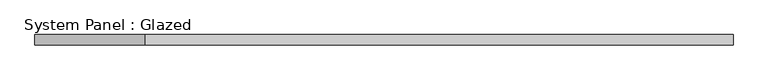
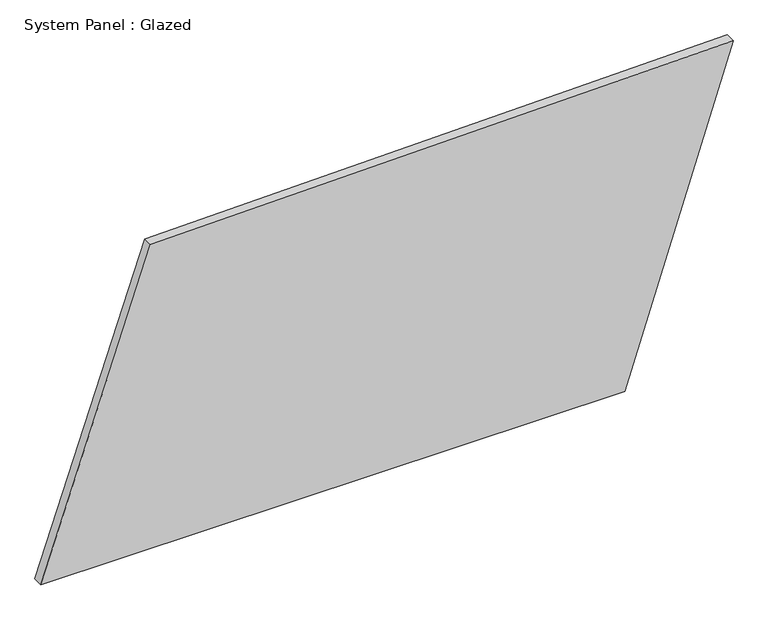
"""IFC4 building model written with IfcOpenShell, lengths in millimetres: plate geometry, System Panel : Glazed."""

from ifc_helpers import new_model, si_unit, frame, origin, place, context, project, spatial, polyline, outline, extrude, source, transform, mapped, element, save


def system_panel_glazed_bbf80d98(model_context):
    return source(origin(), model_context, "Body", "SweptSolid", [
        extrude(outline(polyline([(0.0, -854.6924998), (0.0, 587.4116018), (822.6865333, 854.6924998), (793.3582064, -583.9445634), (0.0, -854.6924998)])), frame((0.0, -49.5, 0.0), z_axis=(0.0, 1.0, 0.0), x_axis=(0.0, 0.0, 1.0)), (0.0, 0.0, 1.0), 25.0),
    ])


if __name__ == "__main__":
    model = new_model("IFC4")
    model_context = context("Model", 3, world=origin())
    ifc_project = project(units=[si_unit("LENGTHUNIT", "METRE", prefix="MILLI")], contexts=[model_context])
    site = spatial("IfcSite", under=ifc_project)
    building = spatial("IfcBuilding", under=site)
    placement = place(None, origin())
    system_panel_glazed_shape = system_panel_glazed_bbf80d98(model_context)
    element("IfcPlate", 1, ObjectType="System Panel : Glazed", at=placement, inside=building, context=model_context, shape_type="MappedRepresentation", body=[
        mapped(system_panel_glazed_shape, transform((0.0, 0.0, 0.0), x_axis=(1.0, 0.0, 0.0), y_axis=(0.0, 1.0, 0.0), z_axis=(0.0, 0.0, 1.0))),
    ])
    save(model, "model.ifc")
